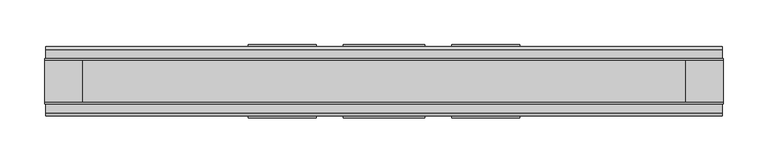
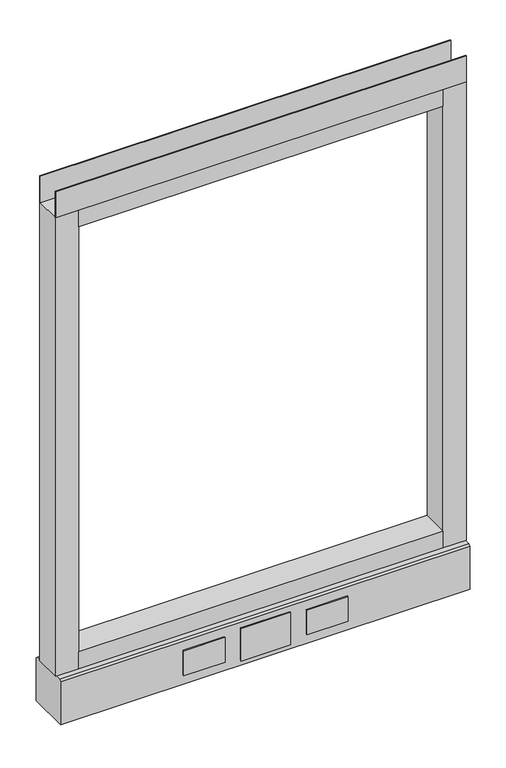
"""IFC4 building model written with IfcOpenShell, lengths in millimetres: furniture geometry."""

from ifc_helpers import new_model, si_unit, point, frame, frame_2d, origin, place, context, project, spatial, polyline, circle_curve, trimmed, segment, composite_curve, outline, extrude, source, transform, mapped, element, save
from ifc_brep_helpers import plane_surface, revolved_surface, advanced_brep


def furniture_47ff4f56(model_context):
    return source(origin(), model_context, "Body", "SolidModel", [
        advanced_brep(
        [(311.15, 0.0, 6.35), (336.55, 0.0, 6.35), (304.8, 0.0, 0.0), (342.9, 0.0, 0.0)],
        [
            (0, 1, circle_curve(frame((323.85, 0.0, 6.35), z_axis=(0.0, 0.0, 1.0), x_axis=(-1.0, 0.0, 0.0)), 12.7)),
            (1, 0, circle_curve(frame((323.85, 0.0, 6.35), z_axis=(0.0, 0.0, 1.0), x_axis=(1.0, 0.0, 0.0)), 12.7)),
            (2, 3, circle_curve(frame((323.85, 0.0, 0.0), z_axis=(0.0, 0.0, -1.0), x_axis=(1.0, 0.0, 0.0)), 19.05)),
            (3, 2, circle_curve(frame((323.85, 0.0, 0.0), z_axis=(0.0, 0.0, -1.0), x_axis=(-1.0, 0.0, 0.0)), 19.05)),
            (3, 1),
            (0, 2),
        ],
        [
            plane_surface(frame((323.85, 0.0, 6.35), z_axis=(0.0, 0.0, 1.0), x_axis=(0.0, -1.0, 0.0))),
            plane_surface(frame((323.85, 0.0, 0.0), z_axis=(0.0, 0.0, -1.0), x_axis=(0.0, -1.0, 0.0))),
            revolved_surface(polyline([(311.15000000000003, 0.0, 6.35), (304.8, 0.0, 0.0)]), (323.85, 0.0, 19.05), (0.0, 0.0, -1.0)),
            revolved_surface(polyline([(336.55, 0.0, 6.35), (342.9, 0.0, 0.0)]), (323.85, 0.0, 19.05), (0.0, 0.0, -1.0)),
        ],
        [
            (0, [[1, 2]]),
            (1, [[3, 4]]),
            (2, [[-4, 5, -1, 6]]),
            (3, [[-3, -6, -2, -5]]),
        ],
    ),
        advanced_brep(
        [(-336.55, 0.0, 6.35), (-311.15, 0.0, 6.35), (-342.9, 0.0, 0.0), (-304.8, 0.0, 0.0)],
        [
            (0, 1, circle_curve(frame((-323.85, 0.0, 6.35), z_axis=(0.0, 0.0, 1.0), x_axis=(-1.0, 0.0, 0.0)), 12.7)),
            (1, 0, circle_curve(frame((-323.85, 0.0, 6.35), z_axis=(0.0, 0.0, 1.0), x_axis=(1.0, 0.0, 0.0)), 12.7)),
            (2, 3, circle_curve(frame((-323.85, 0.0, 0.0), z_axis=(0.0, 0.0, -1.0), x_axis=(1.0, 0.0, 0.0)), 19.05)),
            (3, 2, circle_curve(frame((-323.85, 0.0, 0.0), z_axis=(0.0, 0.0, -1.0), x_axis=(-1.0, 0.0, 0.0)), 19.05)),
            (3, 1),
            (0, 2),
        ],
        [
            plane_surface(frame((-323.85, 0.0, 6.35), z_axis=(0.0, 0.0, 1.0), x_axis=(0.0, -1.0, 0.0))),
            plane_surface(frame((-323.85, 0.0, 0.0), z_axis=(0.0, 0.0, -1.0), x_axis=(0.0, -1.0, 0.0))),
            revolved_surface(polyline([(-336.55, 0.0, 6.35), (-342.9, 0.0, 0.0)]), (-323.85, 0.0, 19.05), (0.0, 0.0, -1.0)),
            revolved_surface(polyline([(-311.15000000000003, 0.0, 6.35), (-304.8, 0.0, 0.0)]), (-323.85, 0.0, 19.05), (0.0, 0.0, -1.0)),
        ],
        [
            (0, [[1, 2]]),
            (1, [[3, 4]]),
            (2, [[-4, 5, -1, 6]]),
            (3, [[-3, -6, -2, -5]]),
        ],
    ),
        extrude(outline(polyline([(152.4, 39.0921875), (76.2, 39.0921875), (76.2, 41.4020035), (152.4, 41.4020035), (152.4, 39.0921875)])), frame((0.0, 0.0, 32.512), z_axis=(0.0, 0.0, 1.0), x_axis=(1.0, 0.0, 0.0)), (0.0, 0.0, 1.0), 48.26),
        extrude(outline(polyline([(45.7708, 39.0921875), (-45.7708, 39.0921875), (-45.7708, 41.4020035), (45.7708, 41.4020035), (45.7708, 39.0921875)])), frame((0.0, 0.0, 23.8125), z_axis=(0.0, 0.0, 1.0), x_axis=(1.0, 0.0, 0.0)), (0.0, 0.0, 1.0), 63.5),
        extrude(outline(polyline([(-76.2, 39.0921875), (-152.4, 39.0921875), (-152.4, 41.4020035), (-76.2, 41.4020035), (-76.2, 39.0921875)])), frame((0.0, 0.0, 32.512), z_axis=(0.0, 0.0, 1.0), x_axis=(1.0, 0.0, 0.0)), (0.0, 0.0, 1.0), 48.26),
        extrude(outline(polyline([(152.4, -41.4019923), (76.2, -41.4019923), (76.2, -39.0921875), (152.4, -39.0921875), (152.4, -41.4019923)])), frame((0.0, 0.0, 32.512), z_axis=(0.0, 0.0, 1.0), x_axis=(1.0, 0.0, 0.0)), (0.0, 0.0, 1.0), 48.26),
        extrude(outline(polyline([(-76.2, -41.4019923), (-152.4, -41.4019923), (-152.4, -39.0921875), (-76.2, -39.0921875), (-76.2, -41.4019923)])), frame((0.0, 0.0, 32.512), z_axis=(0.0, 0.0, 1.0), x_axis=(1.0, 0.0, 0.0)), (0.0, 0.0, 1.0), 48.26),
        extrude(outline(polyline([(45.7708, -41.4019923), (-45.7708, -41.4019923), (-45.7708, -39.0921875), (45.7708, -39.0921875), (45.7708, -41.4019923)])), frame((0.0, 0.0, 23.8125), z_axis=(0.0, 0.0, 1.0), x_axis=(1.0, 0.0, 0.0)), (0.0, 0.0, 1.0), 63.5),
        extrude(outline(polyline([(381.0, -23.8125), (381.0, -25.4), (-381.0, -25.4), (-381.0, -23.8125), (381.0, -23.8125)])), frame((0.0, 0.0, 1000.633), z_axis=(0.0, 0.0, 1.0), x_axis=(1.0, 0.0, 0.0)), (0.0, 0.0, 1.0), 51.435),
        extrude(outline(polyline([(381.0, 25.4), (381.0, 23.8125), (-381.0, 23.8125), (-381.0, 25.4), (381.0, 25.4)])), frame((0.0, 0.0, 1000.633), z_axis=(0.0, 0.0, 1.0), x_axis=(1.0, 0.0, 0.0)), (0.0, 0.0, 1.0), 51.435),
        extrude(outline(polyline([(338.1375, -25.4), (-338.1375, -25.4), (-338.1375, 25.4), (338.1375, 25.4), (338.1375, -25.4)])), frame((0.0, 0.0, 967.74), z_axis=(0.0, 0.0, 1.0), x_axis=(1.0, 0.0, 0.0)), (0.0, 0.0, 1.0), 32.893),
        extrude(outline(polyline([(338.1375, -25.4), (-338.1375, -25.4), (-338.1375, 25.4), (338.1375, 25.4), (338.1375, -25.4)])), frame((0.0, 0.0, 101.6), z_axis=(0.0, 0.0, 1.0), x_axis=(1.0, 0.0, 0.0)), (0.0, 0.0, 1.0), 32.893),
        extrude(outline(composite_curve([segment(trimmed(circle_curve(frame_2d((-323.85, 0.0)), 5.55625), [point((-329.40625, 0.0))], [point((-318.29375, 0.0))], False, "CARTESIAN"), True, "CONTINUOUS"), segment(trimmed(circle_curve(frame_2d((-323.85, 0.0)), 5.55625), [point((-318.29375, 0.0))], [point((-329.40625, 0.0))], False, "CARTESIAN"), True, "CONTINUOUS")], self_intersect=False)), frame((0.0, 0.0, 6.35), z_axis=(0.0, 0.0, 1.0), x_axis=(1.0, 0.0, 0.0)), (0.0, 0.0, 1.0), 7.9375),
        extrude(outline(composite_curve([segment(trimmed(circle_curve(frame_2d((323.85, 0.0)), 5.55625), [point((318.29375, 0.0))], [point((329.40625, 0.0))], False, "CARTESIAN"), True, "CONTINUOUS"), segment(trimmed(circle_curve(frame_2d((323.85, 0.0)), 5.55625), [point((329.40625, 0.0))], [point((318.29375, 0.0))], False, "CARTESIAN"), True, "CONTINUOUS")], self_intersect=False)), frame((0.0, 0.0, 6.35), z_axis=(0.0, 0.0, 1.0), x_axis=(1.0, 0.0, 0.0)), (0.0, 0.0, 1.0), 7.9375),
        extrude(outline(polyline([(-338.1375, -25.4), (-381.0, -25.4), (-381.0, 25.4), (-338.1375, 25.4), (-338.1375, -25.4)])), frame((0.0, 0.0, 101.6), z_axis=(0.0, 0.0, 1.0), x_axis=(1.0, 0.0, 0.0)), (0.0, 0.0, 1.0), 899.033),
        extrude(outline(polyline([(381.0, -25.4), (338.1375, -25.4), (338.1375, 25.4), (381.0, 25.4), (381.0, -25.4)])), frame((0.0, 0.0, 101.6), z_axis=(0.0, 0.0, 1.0), x_axis=(1.0, 0.0, 0.0)), (0.0, 0.0, 1.0), 899.033),
        extrude(outline(polyline([(-35.9171875, 101.6), (35.9171875, 101.6), (39.0921875, 98.425), (39.0921875, 14.2875), (-39.0921875, 14.2875), (-39.0921875, 98.425), (-35.9171875, 101.6)])), frame((-379.857, 0.0, 0.0), z_axis=(1.0, 0.0, 0.0), x_axis=(0.0, 1.0, 0.0)), (0.0, 0.0, 1.0), 759.7140102),
    ])


if __name__ == "__main__":
    model = new_model("IFC4")
    model_context = context("Model", 3, world=origin())
    ifc_project = project(units=[si_unit("LENGTHUNIT", "METRE", prefix="MILLI")], contexts=[model_context])
    site = spatial("IfcSite", under=ifc_project)
    building = spatial("IfcBuilding", under=site)
    placement = place(None, origin())
    furniture_shape = furniture_47ff4f56(model_context)
    element("IfcFurniture", 1, at=placement, inside=building, context=model_context, shape_type="MappedRepresentation", body=[
        mapped(furniture_shape, transform((0.0, 0.0, 0.0), x_axis=(1.0, 0.0, 0.0), y_axis=(0.0, 1.0, 0.0), z_axis=(0.0, 0.0, 1.0))),
    ])
    save(model, "model.ifc")
